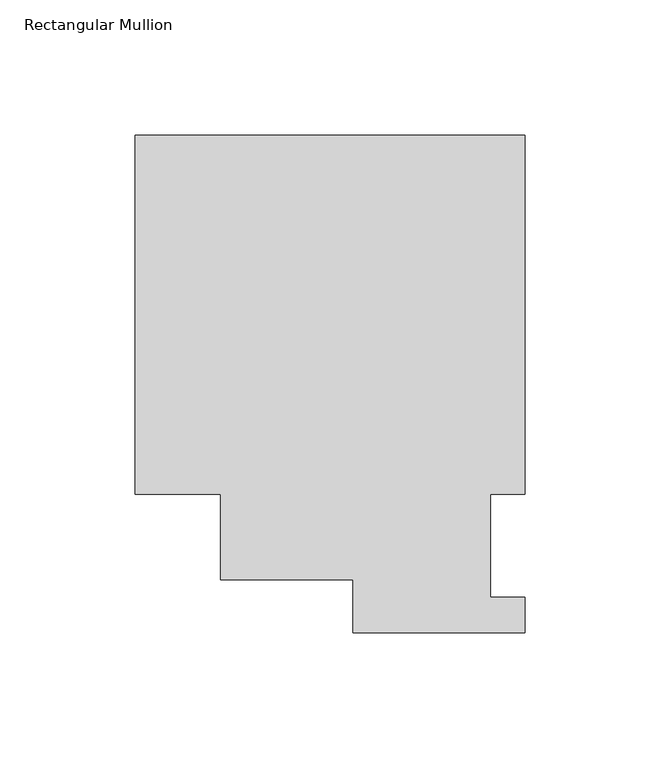
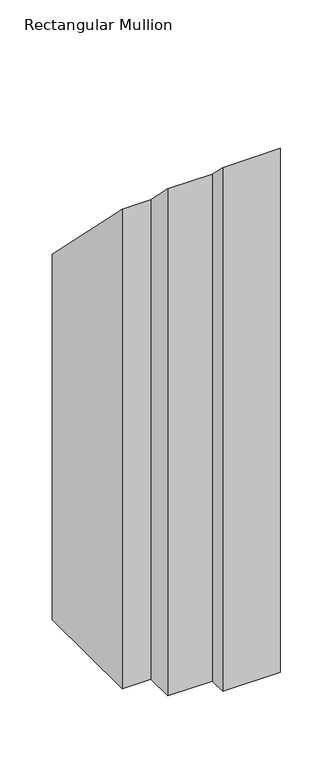
"""IFC4 building model written with IfcOpenShell, lengths in millimetres: member geometry, Rectangular Mullion."""

from ifc_helpers import new_model, si_unit, origin, place, context, project, spatial, faceted_brep, source, transform, mapped, element, save


def rectangular_mullion_7227248f(model_context):
    return source(origin(), model_context, "Body", "Brep", [
        faceted_brep([(0.0, 184.2396937, -609.6023813), (0.0, 51.2960938, -609.6023813), (-12.6873001, 51.2960937, -609.6023813), (-12.6873001, 13.1960938, -609.6023813), (0.0, 13.1960938, -609.6023813), (0.0, 0.0134938, -609.6023813), (-63.5000001, 0.0134938, -609.6023813), (-63.5000001, 19.5430757, -609.6023813), (-112.6644875, 19.5430757, -609.6023813), (-112.6644875, 51.2960937, -609.6023813), (-144.3735814, 51.2960938, -609.6023813), (-144.3735814, 184.2396937, -609.6023813), (-12.6873001, 51.2960937, -51.2960938), (-12.6873001, 13.1960938, -13.1960938), (-144.3735814, 51.2960938, -51.2960938), (-144.3735814, 184.2396937, -184.2396937), (-112.6644875, 51.2960937, -51.2960938), (-112.6644875, 19.5430757, -19.5430757), (-63.5000001, 19.5430757, -19.5430757), (-63.5000001, 0.0134938, -0.0134938), (0.0, 0.0134938, -0.0134938), (0.0, 13.1960938, -13.1960938), (0.0, 184.2396937, -184.2396937), (0.0, 51.2960938, -51.2960938)], [[[0, 1, 2, 3, 4, 5, 6, 7, 8, 9, 10, 11]], [[12, 13, 3, 2]], [[14, 15, 11, 10]], [[16, 14, 10, 9]], [[17, 16, 9, 8]], [[18, 17, 8, 7]], [[19, 18, 7, 6]], [[20, 19, 6, 5]], [[21, 20, 5, 4]], [[13, 21, 4, 3]], [[22, 23, 1, 0]], [[23, 12, 2, 1]], [[15, 22, 0, 11]], [[22, 15, 14, 16, 17, 18, 19, 20, 21, 13, 12, 23]]]),
    ])


if __name__ == "__main__":
    model = new_model("IFC4")
    model_context = context("Model", 3, world=origin())
    ifc_project = project(units=[si_unit("LENGTHUNIT", "METRE", prefix="MILLI")], contexts=[model_context])
    site = spatial("IfcSite", under=ifc_project)
    building = spatial("IfcBuilding", under=site)
    placement = place(None, origin())
    rectangular_mullion_shape = rectangular_mullion_7227248f(model_context)
    element("IfcMember", 1, ObjectType="Rectangular Mullion", at=placement, inside=building, context=model_context, shape_type="MappedRepresentation", body=[
        mapped(rectangular_mullion_shape, transform((0.0, 0.0, 0.0), x_axis=(1.0, 0.0, 0.0), y_axis=(0.0, 1.0, 0.0), z_axis=(0.0, 0.0, 1.0))),
    ])
    save(model, "model.ifc")
